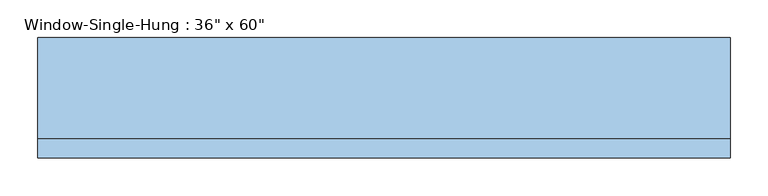
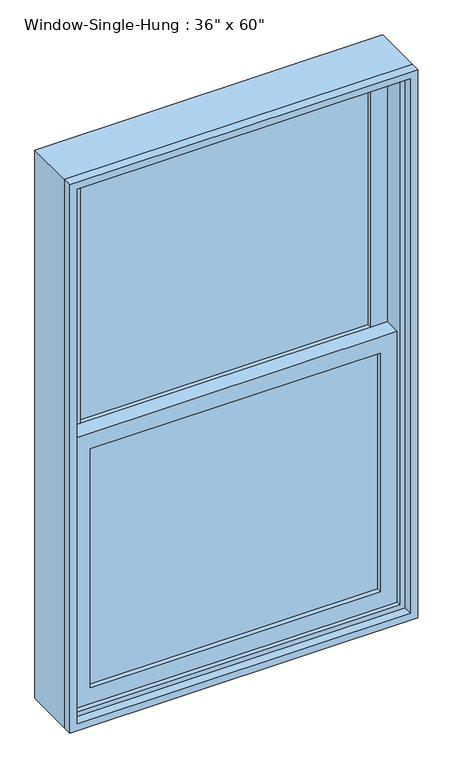
"""IFC4 building model written with IfcOpenShell, lengths in millimetres: window geometry."""

from ifc_helpers import new_model, si_unit, frame, origin, place, context, project, spatial, polyline, outline, extrude, source, transform, mapped, element, save


def window_90e5c271(model_context):
    return source(origin(), model_context, "Body", "SweptSolid", [
        extrude(outline(polyline([(381.0, 0.0), (381.0, -6.35), (-381.0, -6.35), (-381.0, 0.0), (381.0, 0.0)])), frame((0.0, 0.0, 990.6), z_axis=(0.0, 0.0, 1.0), x_axis=(1.0, 0.0, 0.0)), (0.0, 0.0, 1.0), 663.575),
        extrude(outline(polyline([(-381.0, -12.7), (381.0, -12.7), (381.0, -19.05), (-381.0, -19.05), (-381.0, -12.7)])), frame((0.0, 0.0, 990.6), z_axis=(0.0, 0.0, 1.0), x_axis=(1.0, 0.0, 0.0)), (0.0, 0.0, 1.0), 663.575),
        extrude(outline(polyline([(381.0, 44.45), (381.0, 38.1), (-381.0, 38.1), (-381.0, 44.45), (381.0, 44.45)])), frame((0.0, 0.0, 1698.625), z_axis=(0.0, 0.0, 1.0), x_axis=(1.0, 0.0, 0.0)), (0.0, 0.0, 1.0), 663.575),
        extrude(outline(polyline([(-381.0, 31.75), (381.0, 31.75), (381.0, 25.4), (-381.0, 25.4), (-381.0, 31.75)])), frame((0.0, 0.0, 1698.625), z_axis=(0.0, 0.0, 1.0), x_axis=(1.0, 0.0, 0.0)), (0.0, 0.0, 1.0), 663.575),
        extrude(outline(polyline([(1698.625, -425.45), (946.15, -425.45), (946.15, 425.45), (1698.625, 425.45), (1698.625, -425.45)]), holes=[polyline([(1654.175, 381.0), (990.6, 381.0), (990.6, -381.0), (1654.175, -381.0), (1654.175, 381.0)])]), frame((0.0, -31.75, 0.0), z_axis=(0.0, 1.0, 0.0), x_axis=(0.0, 0.0, 1.0)), (0.0, 0.0, 1.0), 44.45),
        extrude(outline(polyline([(2406.65, -425.45), (1654.175, -425.45), (1654.175, 425.45), (2406.65, 425.45), (2406.65, -425.45)]), holes=[polyline([(2362.2, 381.0), (1698.625, 381.0), (1698.625, -381.0), (2362.2, -381.0), (2362.2, 381.0)])]), frame((0.0, 12.7, 0.0), z_axis=(0.0, 1.0, 0.0), x_axis=(0.0, 0.0, 1.0)), (0.0, 0.0, 1.0), 44.45),
        extrude(outline(polyline([(2438.4, -457.2), (914.4, -457.2), (914.4, 457.2), (2438.4, 457.2), (2438.4, -457.2)]), holes=[polyline([(2406.65, 425.45), (946.15, 425.45), (946.15, -425.45), (2406.65, -425.45), (2406.65, 425.45)])]), frame((0.0, -44.45, 0.0), z_axis=(0.0, 1.0, 0.0), x_axis=(0.0, 0.0, 1.0)), (0.0, 0.0, 1.0), 133.35),
        extrude(outline(polyline([(2438.4, 457.2), (2438.4, -457.2), (914.4, -457.2), (914.4, 457.2), (2438.4, 457.2)]), holes=[polyline([(2419.35, 438.15), (933.45, 438.15), (933.45, -438.15), (2419.35, -438.15), (2419.35, 438.15)])]), frame((0.0, -69.85, 0.0), z_axis=(0.0, 1.0, 0.0), x_axis=(0.0, 0.0, 1.0)), (0.0, 0.0, 1.0), 25.4),
    ])


if __name__ == "__main__":
    model = new_model("IFC4")
    model_context = context("Model", 3, world=origin())
    ifc_project = project(units=[si_unit("LENGTHUNIT", "METRE", prefix="MILLI")], contexts=[model_context])
    site = spatial("IfcSite", under=ifc_project)
    building = spatial("IfcBuilding", under=site)
    placement = place(None, origin())
    window_shape = window_90e5c271(model_context)
    element("IfcWindow", 1, ObjectType="Window-Single-Hung : 36\" x 60\"", at=placement, inside=building, context=model_context, shape_type="MappedRepresentation", body=[
        mapped(window_shape, transform((0.0, 0.0, 0.0), x_axis=(1.0, 0.0, 0.0), y_axis=(0.0, 1.0, 0.0), z_axis=(0.0, 0.0, 1.0))),
    ])
    save(model, "model.ifc")
